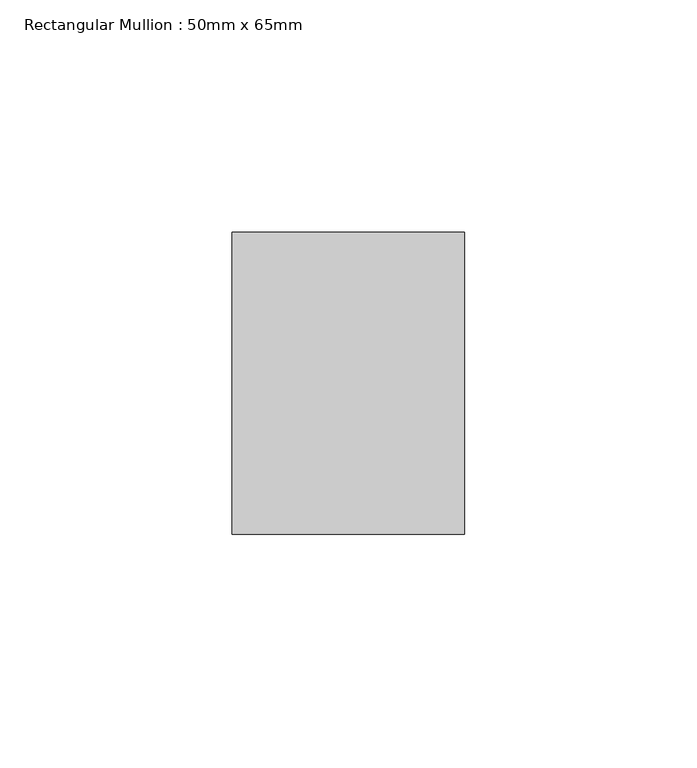
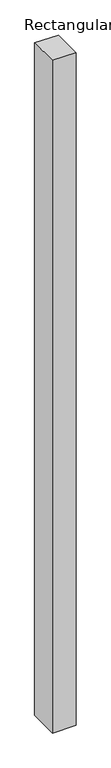
"""IFC4 building model written with IfcOpenShell, lengths in millimetres: member geometry, Rectangular Mullion : 50mm x 65mm."""

from ifc_helpers import new_model, si_unit, frame, origin, place, context, project, spatial, polyline, outline, extrude, source, transform, mapped, element, save


def rectangular_mullion_50mm_x_65mm_d9064f1c(model_context):
    return source(origin(), model_context, "Body", "SweptSolid", [
        extrude(outline(polyline([(-32.5, 0.1073317), (32.5, -0.1073316), (32.5, -1499.9558745), (-32.5, -1500.0445493), (-32.5, 0.1073317)])), frame((-25.0, 0.0, 0.0), z_axis=(1.0, 0.0, 0.0), x_axis=(0.0, 1.0, 0.0)), (0.0, 0.0, 1.0), 50.0),
    ])


if __name__ == "__main__":
    model = new_model("IFC4")
    model_context = context("Model", 3, world=origin())
    ifc_project = project(units=[si_unit("LENGTHUNIT", "METRE", prefix="MILLI")], contexts=[model_context])
    site = spatial("IfcSite", under=ifc_project)
    building = spatial("IfcBuilding", under=site)
    placement = place(None, origin())
    rectangular_mullion_50mm_x_65mm_shape = rectangular_mullion_50mm_x_65mm_d9064f1c(model_context)
    element("IfcMember", 1, ObjectType="Rectangular Mullion : 50mm x 65mm", at=placement, inside=building, context=model_context, shape_type="MappedRepresentation", body=[
        mapped(rectangular_mullion_50mm_x_65mm_shape, transform((0.0, 0.0, 0.0), x_axis=(1.0, 0.0, 0.0), y_axis=(0.0, 1.0, 0.0), z_axis=(0.0, 0.0, 1.0))),
    ])
    save(model, "model.ifc")
